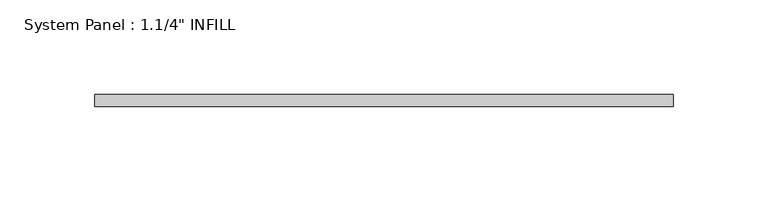
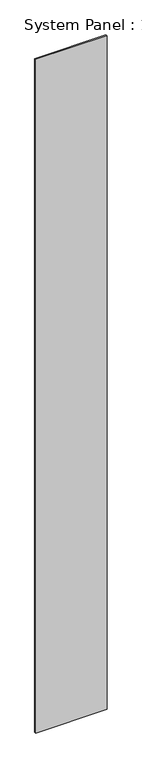
"""IFC4 building model written with IfcOpenShell, lengths in millimetres: plate geometry."""

from ifc_helpers import new_model, si_unit, origin, origin_with_axes, place, context, project, spatial, polyline, outline, extrude, source, transform, mapped, element, save


def plate_9fa4cd77(model_context):
    return source(origin(), model_context, "Body", "SweptSolid", [
        extrude(outline(polyline([(153.0051436, 0.0992187), (-153.0051436, 0.0992187), (-153.0051436, 6.4492187), (153.0051436, 6.4492187), (153.0051436, 0.0992187)])), origin_with_axes(), (0.0, 0.0, 1.0), 3048.0),
    ])


if __name__ == "__main__":
    model = new_model("IFC4")
    model_context = context("Model", 3, world=origin())
    ifc_project = project(units=[si_unit("LENGTHUNIT", "METRE", prefix="MILLI")], contexts=[model_context])
    site = spatial("IfcSite", under=ifc_project)
    building = spatial("IfcBuilding", under=site)
    placement = place(None, origin())
    plate_shape = plate_9fa4cd77(model_context)
    element("IfcPlate", 1, ObjectType="System Panel : 1.1/4\" INFILL", at=placement, inside=building, context=model_context, shape_type="MappedRepresentation", body=[
        mapped(plate_shape, transform((0.0, 0.0, 0.0), x_axis=(1.0, 0.0, 0.0), y_axis=(0.0, 1.0, 0.0), z_axis=(0.0, 0.0, 1.0))),
    ])
    save(model, "model.ifc")
